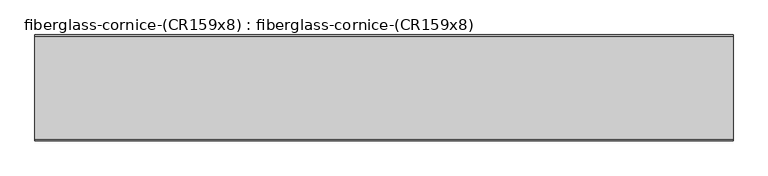
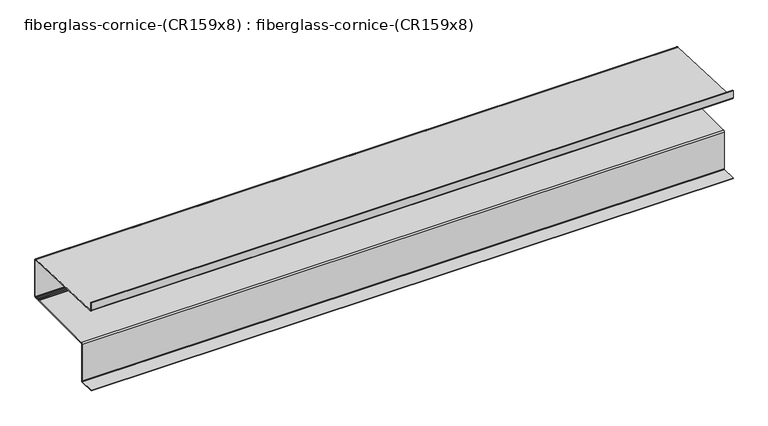
"""IFC4 building model written with IfcOpenShell, lengths in millimetres: furniture geometry, fiberglass-cornice-(CR159x8) : fiberglass-cornice-(CR159x8)."""

from ifc_helpers import new_model, si_unit, frame, origin, place, context, project, spatial, polyline, circle_curve, source, transform, mapped, element, save
from ifc_brep_helpers import plane_surface, cylinder_surface, revolved_surface, advanced_brep


def fiberglass_cornice_cr159x8_fiberglass_cornice_cr159x8_394c3051(model_context):
    return source(origin(), model_context, "Body", "AdvancedBrep", [
        advanced_brep(
        [(2012.9498044, 106.3625, 330.1999904), (2012.9498044, 101.6, 330.1999904), (2012.9498044, 101.6, 281.9234549), (2012.9498044, 109.2070576, 274.3163974), (2012.9498044, 703.2596253, 249.564207), (2012.9498044, 706.4375, 246.3863324), (2012.9498044, 706.4375, 7.8336525), (2012.9498044, 703.2625013, 4.6586538), (2012.9498044, 693.9330146, 4.6586538), (2012.9498044, 690.7580146, 7.8336539), (2012.9498044, 687.5539257, 11.0377427), (2012.9498044, 671.5348764, 11.0377427), (2012.9498044, 668.3598764, 7.8336543), (2012.9498044, 665.1848764, 4.6586549), (2012.9498044, 206.4982609, 4.6586549), (2012.9498044, 198.560761, -3.2788451), (2012.9498044, 198.560761, -246.1065844), (2012.9498044, 195.385761, -249.2815844), (2012.9498044, 101.6, -249.2815844), (2012.9498044, 101.6, -254.0440844), (2012.9498044, 195.385761, -254.0440844), (2012.9498044, 203.323261, -246.1065844), (2012.9498044, 203.323261, -3.2788474), (2012.9498044, 206.4982609, -0.1038475), (2012.9498044, 669.9473764, -0.1038475), (2012.9498044, 673.1223764, 3.0711543), (2012.9498044, 676.2973764, 6.2752427), (2012.9498044, 682.7914264, 6.2752427), (2012.9498044, 685.9955146, 3.0711535), (2012.9498044, 689.1705146, -0.1038475), (2012.9498044, 703.2625, -0.1038475), (2012.9498044, 711.2, 7.8336525), (2012.9498044, 711.2, 246.3863324), (2012.9498044, 703.2553134, 254.331019), (2012.9498044, 109.405323, 279.0747686), (2012.9498044, 106.3625, 282.1175916), (-2012.9498044, 106.3625, 330.1999904), (-2012.9498044, 106.3625, 282.1175916), (-2012.9498044, 109.405323, 279.0747686), (-2012.9498044, 703.2553134, 254.331019), (-2012.9498044, 711.2, 246.3863324), (-2012.9498044, 711.2, 7.8336525), (-2012.9498044, 703.2625, -0.1038475), (-2012.9498044, 689.1705146, -0.1038475), (-2012.9498044, 685.9955146, 3.0711535), (-2012.9498044, 682.7914264, 6.2752427), (-2012.9498044, 676.2973764, 6.2752427), (-2012.9498044, 673.1223764, 3.0711543), (-2012.9498044, 669.9473764, -0.1038451), (-2012.9498044, 206.4982609, -0.1038475), (-2012.9498044, 203.323261, -3.2788474), (-2012.9498044, 203.323261, -246.1065844), (-2012.9498044, 195.385761, -254.0440844), (-2012.9498044, 101.6, -254.0440844), (-2012.9498044, 101.6, -249.2815844), (-2012.9498044, 195.385761, -249.2815844), (-2012.9498044, 198.560761, -246.1065844), (-2012.9498044, 198.560761, -3.2788451), (-2012.9498044, 206.4982609, 4.6586549), (-2012.9498044, 665.1848764, 4.6586549), (-2012.9498044, 668.3598764, 7.8336543), (-2012.9498044, 671.5348764, 11.0377427), (-2012.9498044, 687.5539257, 11.0377427), (-2012.9498044, 690.7580146, 7.8336539), (-2012.9498044, 693.9330146, 4.6586538), (-2012.9498044, 703.2625013, 4.6586538), (-2012.9498044, 706.4375, 7.8336525), (-2012.9498044, 706.4375, 246.3863324), (-2012.9498044, 703.2596253, 249.564207), (-2012.9498044, 109.2070576, 274.3163974), (-2012.9498044, 101.6, 281.9234549), (-2012.9498044, 101.6, 330.1999904)],
        [
            (0, 1),
            (1, 2),
            (2, 3, circle_curve(frame((2012.9498044, 109.2070576, 281.9234549), z_axis=(1.0, 0.0, 0.0), x_axis=(0.0, 1.0, 0.0)), 7.6070576)),
            (3, 4),
            (4, 5, circle_curve(frame((2012.9498044, 703.2596253, 246.3863324), z_axis=(-1.0, 0.0, 0.0), x_axis=(0.0, 1.0, 0.0)), 3.1778747)),
            (5, 6),
            (6, 7, circle_curve(frame((2012.9498044, 703.2625013, 7.8336525), z_axis=(-1.0, 0.0, 0.0), x_axis=(0.0, 1.0, 0.0)), 3.1749987)),
            (7, 8),
            (8, 9, circle_curve(frame((2012.9498044, 693.9330146, 7.8336538), z_axis=(-1.0, 0.0, 0.0), x_axis=(0.0, 1.0, 0.0)), 3.175)),
            (9, 10, circle_curve(frame((2012.9498044, 687.5539257, 7.8336539), z_axis=(1.0, 0.0, 0.0), x_axis=(0.0, 1.0, 0.0)), 3.2040888)),
            (10, 11),
            (11, 12, circle_curve(frame((2012.9498044, 671.5348764, 7.8626107), z_axis=(1.0, 0.0, 0.0), x_axis=(0.0, 1.0, 0.0)), 3.175132)),
            (12, 13, circle_curve(frame((2012.9498044, 665.1848764, 7.8336549), z_axis=(-1.0, 0.0, 0.0), x_axis=(0.0, 1.0, 0.0)), 3.175)),
            (13, 14),
            (14, 15, circle_curve(frame((2012.9498044, 206.4982609, -3.2788451), z_axis=(1.0, 0.0, 0.0), x_axis=(0.0, 1.0, 0.0)), 7.9374999)),
            (15, 16),
            (16, 17, circle_curve(frame((2012.9498044, 195.385761, -246.1065844), z_axis=(-1.0, 0.0, 0.0), x_axis=(0.0, 1.0, 0.0)), 3.175)),
            (17, 18),
            (18, 19),
            (19, 20),
            (20, 21, circle_curve(frame((2012.9498044, 195.385761, -246.1065844), z_axis=(1.0, 0.0, 0.0), x_axis=(0.0, 1.0, 0.0)), 7.9375)),
            (21, 22),
            (22, 23, circle_curve(frame((2012.9498044, 206.4982609, -3.2788474), z_axis=(-1.0, 0.0, 0.0), x_axis=(0.0, 1.0, 0.0)), 3.175)),
            (23, 24),
            (24, 25, circle_curve(frame((2012.9498044, 669.9473764, 3.0711549), z_axis=(1.0, 0.0, 0.0), x_axis=(0.0, 1.0, 0.0)), 3.175)),
            (25, 26, circle_curve(frame((2012.9498044, 676.2973764, 3.1001106), z_axis=(-1.0, 0.0, 0.0), x_axis=(0.0, 1.0, 0.0)), 3.175132)),
            (26, 27),
            (27, 28, circle_curve(frame((2012.9498044, 682.7914264, 3.0711545), z_axis=(-1.0, 0.0, 0.0), x_axis=(0.0, 1.0, 0.0)), 3.2040882)),
            (28, 29, circle_curve(frame((2012.9498044, 689.1705146, 3.0711525), z_axis=(1.0, 0.0, 0.0), x_axis=(0.0, 1.0, 0.0)), 3.175)),
            (29, 30),
            (30, 31, circle_curve(frame((2012.9498044, 703.2625, 7.8336525), z_axis=(1.0, 0.0, 0.0), x_axis=(0.0, 1.0, 0.0)), 7.9375)),
            (31, 32),
            (32, 33, circle_curve(frame((2012.9498044, 703.2553134, 246.3863324), z_axis=(1.0, 0.0, 0.0), x_axis=(0.0, 1.0, 0.0)), 7.9446866)),
            (33, 34),
            (34, 35, circle_curve(frame((2012.9498044, 109.405323, 282.1175916), z_axis=(-1.0, 0.0, 0.0), x_axis=(0.0, 1.0, 0.0)), 3.042823)),
            (35, 0),
            (36, 37),
            (37, 38, circle_curve(frame((-2012.9498044, 109.405323, 282.1175916), z_axis=(1.0, 0.0, 0.0), x_axis=(0.0, 1.0, 0.0)), 3.042823)),
            (38, 39),
            (39, 40, circle_curve(frame((-2012.9498044, 703.2553134, 246.3863324), z_axis=(-1.0, 0.0, 0.0), x_axis=(0.0, 1.0, 0.0)), 7.9446866)),
            (40, 41),
            (41, 42, circle_curve(frame((-2012.9498044, 703.2625, 7.8336525), z_axis=(-1.0, 0.0, 0.0), x_axis=(0.0, 1.0, 0.0)), 7.9375)),
            (42, 43),
            (43, 44, circle_curve(frame((-2012.9498044, 689.1705146, 3.0711525), z_axis=(-1.0, 0.0, 0.0), x_axis=(0.0, 1.0, 0.0)), 3.175)),
            (44, 45, circle_curve(frame((-2012.9498044, 682.7914264, 3.0711545), z_axis=(1.0, 0.0, 0.0), x_axis=(0.0, 1.0, 0.0)), 3.2040882)),
            (45, 46),
            (46, 47, circle_curve(frame((-2012.9498044, 676.2973764, 3.1001106), z_axis=(1.0, 0.0, 0.0), x_axis=(0.0, 1.0, 0.0)), 3.175132)),
            (47, 48, circle_curve(frame((-2012.9498044, 669.9473764, 3.0711549), z_axis=(-1.0, 0.0, 0.0), x_axis=(0.0, 1.0, 0.0)), 3.175)),
            (48, 49),
            (49, 50, circle_curve(frame((-2012.9498044, 206.4982609, -3.2788474), z_axis=(1.0, 0.0, 0.0), x_axis=(0.0, 1.0, 0.0)), 3.175)),
            (50, 51),
            (51, 52, circle_curve(frame((-2012.9498044, 195.385761, -246.1065844), z_axis=(-1.0, 0.0, 0.0), x_axis=(0.0, 1.0, 0.0)), 7.9375)),
            (52, 53),
            (53, 54),
            (54, 55),
            (55, 56, circle_curve(frame((-2012.9498044, 195.385761, -246.1065844), z_axis=(1.0, 0.0, 0.0), x_axis=(0.0, 1.0, 0.0)), 3.175)),
            (56, 57),
            (57, 58, circle_curve(frame((-2012.9498044, 206.4982609, -3.2788451), z_axis=(-1.0, 0.0, 0.0), x_axis=(0.0, 1.0, 0.0)), 7.9374999)),
            (58, 59),
            (59, 60, circle_curve(frame((-2012.9498044, 665.1848764, 7.8336549), z_axis=(1.0, 0.0, 0.0), x_axis=(0.0, 1.0, 0.0)), 3.175)),
            (60, 61, circle_curve(frame((-2012.9498044, 671.5348764, 7.8626107), z_axis=(-1.0, 0.0, 0.0), x_axis=(0.0, 1.0, 0.0)), 3.175132)),
            (61, 62),
            (62, 63, circle_curve(frame((-2012.9498044, 687.5539257, 7.8336539), z_axis=(-1.0, 0.0, 0.0), x_axis=(0.0, 1.0, 0.0)), 3.2040888)),
            (63, 64, circle_curve(frame((-2012.9498044, 693.9330146, 7.8336538), z_axis=(1.0, 0.0, 0.0), x_axis=(0.0, 1.0, 0.0)), 3.175)),
            (64, 65),
            (65, 66, circle_curve(frame((-2012.9498044, 703.2625013, 7.8336525), z_axis=(1.0, 0.0, 0.0), x_axis=(0.0, 1.0, 0.0)), 3.1749987)),
            (66, 67),
            (67, 68, circle_curve(frame((-2012.9498044, 703.2596253, 246.3863324), z_axis=(1.0, 0.0, 0.0), x_axis=(0.0, 1.0, 0.0)), 3.1778747)),
            (68, 69),
            (69, 70, circle_curve(frame((-2012.9498044, 109.2070576, 281.9234549), z_axis=(-1.0, 0.0, 0.0), x_axis=(0.0, 1.0, 0.0)), 7.6070576)),
            (70, 71),
            (71, 36),
            (0, 36),
            (71, 1),
            (70, 2),
            (69, 3),
            (68, 4),
            (67, 5),
            (66, 6),
            (65, 7),
            (64, 8),
            (63, 9),
            (62, 10),
            (61, 11),
            (60, 12),
            (59, 13),
            (58, 14),
            (57, 15),
            (56, 16),
            (55, 17),
            (54, 18),
            (53, 19),
            (52, 20),
            (51, 21),
            (50, 22),
            (49, 23),
            (48, 24),
            (47, 25),
            (46, 26),
            (45, 27),
            (44, 28),
            (43, 29),
            (42, 30),
            (41, 31),
            (40, 32),
            (39, 33),
            (38, 34),
            (37, 35),
        ],
        [
            plane_surface(frame((2012.9498044, 101.6, 330.1999904), z_axis=(1.0, 0.0, 0.0), x_axis=(0.0, 0.0, 1.0))),
            plane_surface(frame((-2012.9498044, 101.6, 330.1999904), z_axis=(-1.0, 0.0, 0.0), x_axis=(0.0, 0.0, 1.0))),
            plane_surface(frame((2012.9498044, 106.3625, 330.1999904), z_axis=(0.0, 0.0, 1.0), x_axis=(-1.0, 0.0, 0.0))),
            plane_surface(frame((2012.9498044, 101.6, 330.1999904), z_axis=(0.0, -1.0, 0.0), x_axis=(-1.0, 0.0, 0.0))),
            cylinder_surface(frame((2012.9498044, 109.2070576, 281.9234549), z_axis=(1.0, 0.0, 0.0), x_axis=(0.0, 1.0, 0.0)), 7.6070576),
            plane_surface(frame((2012.9498044, 109.2070576, 274.3163974), z_axis=(0.0, -0.04163054471218208, -0.9991330730923519), x_axis=(-1.0, 0.0, 0.0))),
            revolved_surface(polyline([(-2012.9498044, 706.4375, 246.3863324), (2012.9498044, 706.4375, 246.3863324)]), (2012.9498044, 703.2596253, 246.3863324), (-1.0, 0.0, 0.0)),
            plane_surface(frame((2012.9498044, 706.4375, 246.3863324), z_axis=(0.0, -1.0, 0.0), x_axis=(-1.0, 0.0, 0.0))),
            revolved_surface(polyline([(-2012.9498044, 706.4375, 7.8336525), (2012.9498044, 706.4375, 7.8336525)]), (2012.9498044, 703.2625013, 7.8336525), (-1.0, 0.0, 0.0)),
            plane_surface(frame((2012.9498044, 703.2625013, 4.6586538), z_axis=(0.0, 0.0, 1.0), x_axis=(-1.0, 0.0, 0.0))),
            revolved_surface(polyline([(-2012.9498044, 697.1080145999999, 7.8336538), (2012.9498044, 697.1080145999999, 7.8336538)]), (2012.9498044, 693.9330146, 7.8336538), (-1.0, 0.0, 0.0)),
            cylinder_surface(frame((2012.9498044, 687.5539257, 7.8336539), z_axis=(1.0, 0.0, 0.0), x_axis=(0.0, 1.0, 0.0)), 3.2040888),
            plane_surface(frame((2012.9498044, 687.5539257, 11.0377427), z_axis=(0.0, 0.0, 1.0), x_axis=(-1.0, 0.0, 0.0))),
            cylinder_surface(frame((2012.9498044, 671.5348764, 7.8626107), z_axis=(1.0, 0.0, 0.0), x_axis=(0.0, 1.0, 0.0)), 3.175132),
            revolved_surface(polyline([(-2012.9498044, 668.3598764, 7.8336549), (2012.9498044, 668.3598764, 7.8336549)]), (2012.9498044, 665.1848764, 7.8336549), (-1.0, 0.0, 0.0)),
            plane_surface(frame((2012.9498044, 665.1848764, 4.6586549), z_axis=(0.0, 0.0, 1.0), x_axis=(-1.0, 0.0, 0.0))),
            cylinder_surface(frame((2012.9498044, 206.4982609, -3.2788451), z_axis=(1.0, 0.0, 0.0), x_axis=(0.0, 1.0, 0.0)), 7.9374999),
            plane_surface(frame((2012.9498044, 198.560761, -3.2788451), z_axis=(0.0, -1.0, 0.0), x_axis=(-1.0, 0.0, 0.0))),
            revolved_surface(polyline([(-2012.9498044, 198.560761, -246.1065844), (2012.9498044, 198.560761, -246.1065844)]), (2012.9498044, 195.385761, -246.1065844), (-1.0, 0.0, 0.0)),
            plane_surface(frame((2012.9498044, 195.385761, -249.2815844), z_axis=(0.0, 0.0, 1.0), x_axis=(-1.0, 0.0, 0.0))),
            plane_surface(frame((2012.9498044, 101.6, -249.2815844), z_axis=(0.0, -1.0, 0.0), x_axis=(-1.0, 0.0, 0.0))),
            plane_surface(frame((2012.9498044, 101.6, -254.0440844), z_axis=(0.0, 0.0, -1.0), x_axis=(-1.0, 0.0, 0.0))),
            cylinder_surface(frame((2012.9498044, 195.385761, -246.1065844), z_axis=(1.0, 0.0, 0.0), x_axis=(0.0, 1.0, 0.0)), 7.9375),
            plane_surface(frame((2012.9498044, 203.323261, -246.1065844), z_axis=(0.0, 1.0, 0.0), x_axis=(-1.0, 0.0, 0.0))),
            revolved_surface(polyline([(-2012.9498044, 209.6732609, -3.2788474), (2012.9498044, 209.6732609, -3.2788474)]), (2012.9498044, 206.4982609, -3.2788474), (-1.0, 0.0, 0.0)),
            plane_surface(frame((2012.9498044, 206.4982609, -0.1038475), z_axis=(0.0, 0.0, -1.0), x_axis=(-1.0, 0.0, 0.0))),
            cylinder_surface(frame((2012.9498044, 669.9473764, 3.0711549), z_axis=(1.0, 0.0, 0.0), x_axis=(0.0, 1.0, 0.0)), 3.175),
            revolved_surface(polyline([(-2012.9498044, 679.4725083999999, 3.1001106), (2012.9498044, 679.4725083999999, 3.1001106)]), (2012.9498044, 676.2973764, 3.1001106), (-1.0, 0.0, 0.0)),
            plane_surface(frame((2012.9498044, 676.2973764, 6.2752427), z_axis=(0.0, 0.0, -1.0), x_axis=(-1.0, 0.0, 0.0))),
            revolved_surface(polyline([(-2012.9498044, 685.9955146, 3.0711545), (2012.9498044, 685.9955146, 3.0711545)]), (2012.9498044, 682.7914264, 3.0711545), (-1.0, 0.0, 0.0)),
            cylinder_surface(frame((2012.9498044, 689.1705146, 3.0711525), z_axis=(1.0, 0.0, 0.0), x_axis=(0.0, 1.0, 0.0)), 3.175),
            plane_surface(frame((2012.9498044, 689.1705146, -0.1038475), z_axis=(0.0, 0.0, -1.0), x_axis=(-1.0, 0.0, 0.0))),
            cylinder_surface(frame((2012.9498044, 703.2625, 7.8336525), z_axis=(1.0, 0.0, 0.0), x_axis=(0.0, 1.0, 0.0)), 7.9375),
            plane_surface(frame((2012.9498044, 711.2, 7.8336525), z_axis=(0.0, 1.0, 0.0), x_axis=(-1.0, 0.0, 0.0))),
            cylinder_surface(frame((2012.9498044, 703.2553134, 246.3863324), z_axis=(1.0, 0.0, 0.0), x_axis=(0.0, 1.0, 0.0)), 7.9446866),
            plane_surface(frame((2012.9498044, 703.2553134, 254.331019), z_axis=(0.0, 0.0416305447121838, 0.9991330730923519), x_axis=(-1.0, 0.0, 0.0))),
            revolved_surface(polyline([(-2012.9498044, 112.448146, 282.1175916), (2012.9498044, 112.448146, 282.1175916)]), (2012.9498044, 109.405323, 282.1175916), (-1.0, 0.0, 0.0)),
            plane_surface(frame((2012.9498044, 106.3625, 282.1175916), z_axis=(0.0, 1.0, 0.0), x_axis=(-1.0, 0.0, 0.0))),
        ],
        [
            (0, [[1, 2, 3, 4, 5, 6, 7, 8, 9, 10, 11, 12, 13, 14, 15, 16, 17, 18, 19, 20, 21, 22, 23, 24, 25, 26, 27, 28, 29, 30, 31, 32, 33, 34, 35, 36]]),
            (1, [[37, 38, 39, 40, 41, 42, 43, 44, 45, 46, 47, 48, 49, 50, 51, 52, 53, 54, 55, 56, 57, 58, 59, 60, 61, 62, 63, 64, 65, 66, 67, 68, 69, 70, 71, 72]]),
            (2, [[-1, 73, -72, 74]]),
            (3, [[-2, -74, -71, 75]]),
            (4, [[-3, -75, -70, 76]]),
            (5, [[-4, -76, -69, 77]]),
            (6, [[-5, -77, -68, 78]]),
            (7, [[-6, -78, -67, 79]]),
            (8, [[-7, -79, -66, 80]]),
            (9, [[-8, -80, -65, 81]]),
            (10, [[-9, -81, -64, 82]]),
            (11, [[-10, -82, -63, 83]]),
            (12, [[-11, -83, -62, 84]]),
            (13, [[-12, -84, -61, 85]]),
            (14, [[-13, -85, -60, 86]]),
            (15, [[-14, -86, -59, 87]]),
            (16, [[-15, -87, -58, 88]]),
            (17, [[-16, -88, -57, 89]]),
            (18, [[-17, -89, -56, 90]]),
            (19, [[-18, -90, -55, 91]]),
            (20, [[-19, -91, -54, 92]]),
            (21, [[-20, -92, -53, 93]]),
            (22, [[-21, -93, -52, 94]]),
            (23, [[-22, -94, -51, 95]]),
            (24, [[-23, -95, -50, 96]]),
            (25, [[-24, -96, -49, 97]]),
            (26, [[-25, -97, -48, 98]]),
            (27, [[-26, -98, -47, 99]]),
            (28, [[-27, -99, -46, 100]]),
            (29, [[-28, -100, -45, 101]]),
            (30, [[-29, -101, -44, 102]]),
            (31, [[-30, -102, -43, 103]]),
            (32, [[-31, -103, -42, 104]]),
            (33, [[-32, -104, -41, 105]]),
            (34, [[-33, -105, -40, 106]]),
            (35, [[-34, -106, -39, 107]]),
            (36, [[-35, -107, -38, 108]]),
            (37, [[-36, -108, -37, -73]]),
        ],
    ),
    ])


if __name__ == "__main__":
    model = new_model("IFC4")
    model_context = context("Model", 3, world=origin())
    ifc_project = project(units=[si_unit("LENGTHUNIT", "METRE", prefix="MILLI")], contexts=[model_context])
    site = spatial("IfcSite", under=ifc_project)
    building = spatial("IfcBuilding", under=site)
    placement = place(None, origin())
    fiberglass_cornice_cr159x8_fiberglass_cornice_cr159x8_shape = fiberglass_cornice_cr159x8_fiberglass_cornice_cr159x8_394c3051(model_context)
    element("IfcFurniture", 1, ObjectType="fiberglass-cornice-(CR159x8) : fiberglass-cornice-(CR159x8)", at=placement, inside=building, context=model_context, shape_type="MappedRepresentation", body=[
        mapped(fiberglass_cornice_cr159x8_fiberglass_cornice_cr159x8_shape, transform((0.0, 0.0, 0.0), x_axis=(1.0, 0.0, 0.0), y_axis=(0.0, 1.0, 0.0), z_axis=(0.0, 0.0, 1.0))),
    ])
    save(model, "model.ifc")
